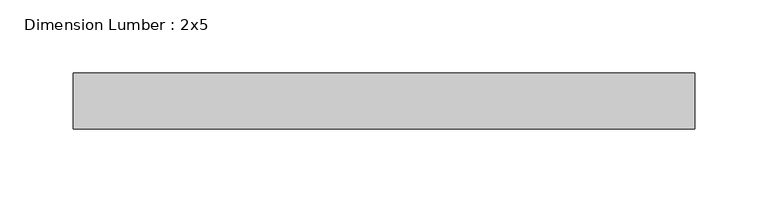
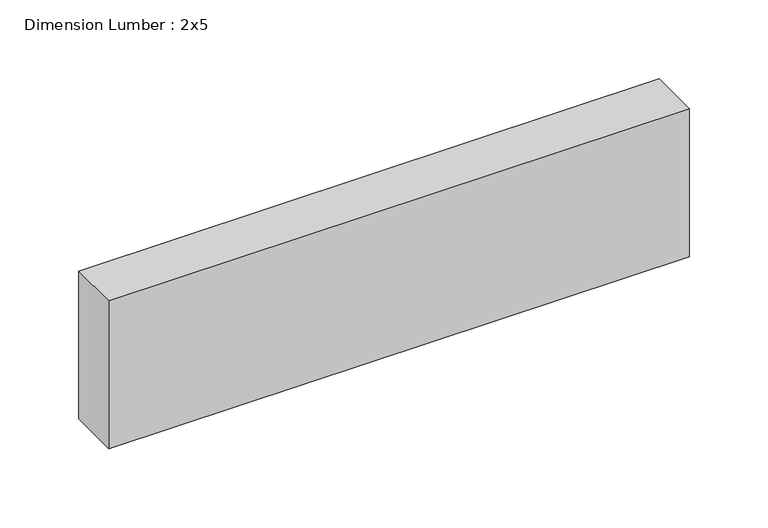
"""IFC4 building model written with IfcOpenShell, lengths in millimetres: beam geometry, Dimension Lumber : 2x5."""

from ifc_helpers import new_model, si_unit, frame, origin, place, context, project, spatial, polyline, outline, extrude, source, transform, mapped, element, save


def dimension_lumber_2x5_82f84071(model_context):
    return source(origin(), model_context, "Body", "SweptSolid", [
        extrude(outline(polyline([(211.6053673, 19.05), (211.6053673, -19.05), (-212.7421284, -19.05), (-212.7421284, 19.05), (211.6053673, 19.05)])), frame((0.0, 0.0, -57.15), z_axis=(0.0, 0.0, 1.0), x_axis=(1.0, 0.0, 0.0)), (0.0, 0.0, 1.0), 114.3),
    ])


if __name__ == "__main__":
    model = new_model("IFC4")
    model_context = context("Model", 3, world=origin())
    ifc_project = project(units=[si_unit("LENGTHUNIT", "METRE", prefix="MILLI")], contexts=[model_context])
    site = spatial("IfcSite", under=ifc_project)
    building = spatial("IfcBuilding", under=site)
    placement = place(None, origin())
    dimension_lumber_2x5_shape = dimension_lumber_2x5_82f84071(model_context)
    element("IfcBeam", 1, ObjectType="Dimension Lumber : 2x5", at=placement, inside=building, context=model_context, shape_type="MappedRepresentation", body=[
        mapped(dimension_lumber_2x5_shape, transform((0.0, 0.0, 0.0), x_axis=(1.0, 0.0, 0.0), y_axis=(0.0, 1.0, 0.0), z_axis=(0.0, 0.0, 1.0))),
    ])
    save(model, "model.ifc")
